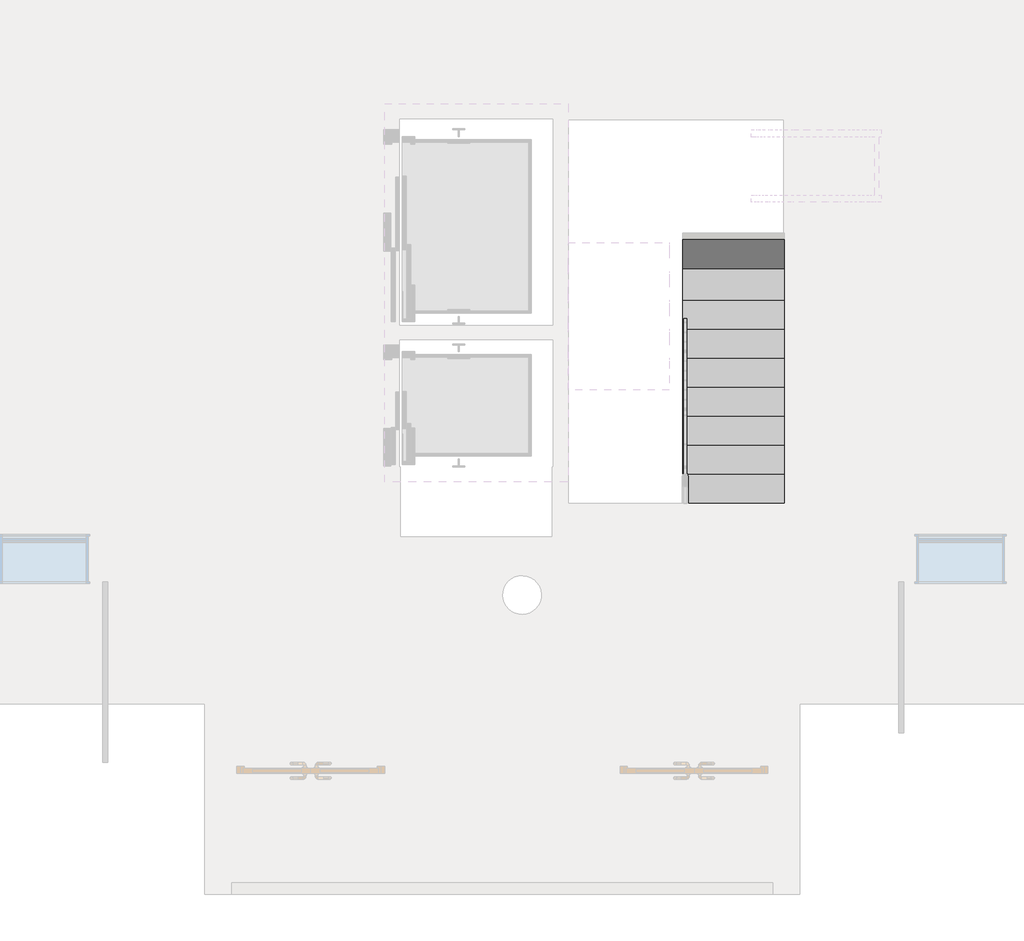
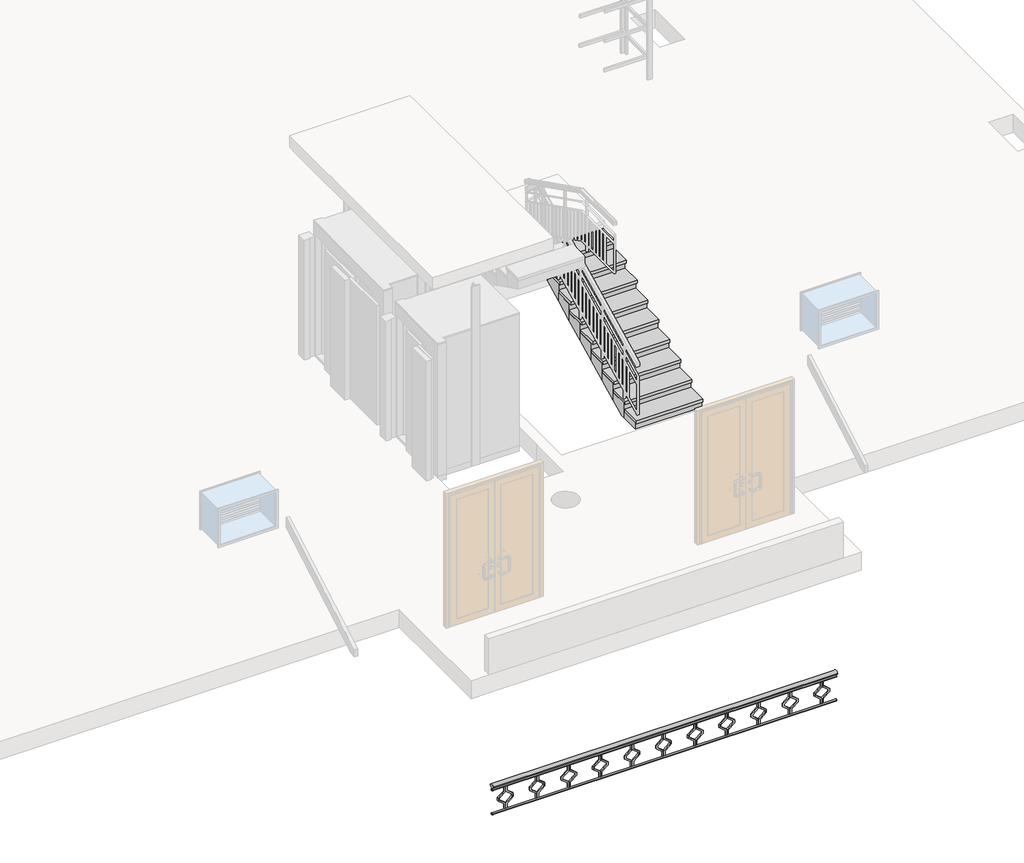
# One storey, part 4 of 6: 1 railing, 1 stair flight.
"""IFC4 building model written with IfcOpenShell, lengths in millimetres."""

from ifc_helpers import new_model, si_unit, point, frame, frame_2d, origin, place, context, project, spatial, polyline, circle_curve, ellipse_curve, trimmed, segment, composite_curve, outline, extrude, faceted_brep, element, save
from ifc_brep_helpers import plane_surface, extruded_surface, advanced_brep

model = new_model("IFC4")

# Units and contexts
model_context = context("Model", 3, world=origin())
ifc_project = project(units=[si_unit("LENGTHUNIT", "METRE", prefix="MILLI")], contexts=[model_context])

# Site, building, storey
site = spatial("IfcSite", under=ifc_project)
building = spatial("IfcBuilding", under=site)
storey = spatial("IfcBuildingStorey", under=building, Elevation=36000.0)

# Railing
placement = place(None, origin())
element("IfcRailing", 1, at=placement, inside=storey, context=model_context, shape_type="SolidModel", body=[
    advanced_brep(
    [(7480.0, -13666.3114792, 34080.0), (7480.0, -13746.3114792, 34080.0), (12920.0, -13666.3114792, 34080.0), (12920.0, -13746.3114792, 34080.0)],
    [
        (0, 1, ellipse_curve(frame((7480.0, -13706.3114792, 34080.0), z_axis=(-1.0, 0.0, 0.0), x_axis=(0.0, -1.0, 0.0)), 40.0, 30.0)),
        (1, 0, ellipse_curve(frame((7480.0, -13706.3114792, 34080.0), z_axis=(-1.0, 0.0, 0.0), x_axis=(0.0, -1.0, 0.0)), 40.0, 30.0)),
        (2, 3, ellipse_curve(frame((12920.0, -13706.3114792, 34080.0), z_axis=(1.0, 0.0, 0.0), x_axis=(0.0, -1.0, 0.0)), 40.0, 30.0)),
        (3, 2, ellipse_curve(frame((12920.0, -13706.3114792, 34080.0), z_axis=(1.0, 0.0, 0.0), x_axis=(0.0, -1.0, 0.0)), 40.0, 30.0)),
        (0, 2),
        (3, 1),
    ],
    [
        plane_surface(frame((7480.0, -13706.3114792, 34080.0), z_axis=(-1.0, 0.0, 0.0), x_axis=(0.0, 1.0, 0.0))),
        plane_surface(frame((12920.0, -13706.3114792, 34080.0), z_axis=(1.0, 0.0, 0.0), x_axis=(0.0, 1.0, 0.0))),
        extruded_surface(trimmed(ellipse_curve(frame((12920.0, -13706.3114792, 34080.0), z_axis=(-1.0, 0.0, 0.0), x_axis=(0.0, -1.0, 0.0)), 40.0, 30.0), [point((12920.0, -13666.3114792, 34080.0))], [point((12920.0, -13746.3114792, 34080.0))], True, "CARTESIAN"), (-5440.0, 0.0, 0.0), 5440.0),
        extruded_surface(trimmed(ellipse_curve(frame((12920.0, -13706.3114792, 34080.0), z_axis=(-1.0, 0.0, 0.0), x_axis=(0.0, -1.0, 0.0)), 40.0, 30.0), [point((12920.0, -13746.3114792, 34080.0))], [point((12920.0, -13666.3114792, 34080.0))], True, "CARTESIAN"), (-5440.0, 0.0, 0.0), 5440.0),
    ],
    [
        (0, [[1, 2]]),
        (1, [[3, 4]]),
        (2, [[-1, 5, -4, 6]]),
        (3, [[-2, -6, -3, -5]]),
    ],
),
    extrude(outline(composite_curve([segment(trimmed(circle_curve(frame_2d((-13705.7022443, 34015.0)), 15.0), [point((-13690.7022443, 34015.0))], [point((-13720.7022443, 34015.0))], False, "CARTESIAN"), True, "CONTINUOUS"), segment(trimmed(circle_curve(frame_2d((-13705.7022443, 34015.0)), 15.0), [point((-13720.7022443, 34015.0))], [point((-13690.7022443, 34015.0))], False, "CARTESIAN"), True, "CONTINUOUS")], self_intersect=False)), frame((7480.0, 0.0, 0.0), z_axis=(1.0, 0.0, 0.0), x_axis=(0.0, 1.0, 0.0)), (0.0, 0.0, 1.0), 5440.0),
    extrude(outline(composite_curve([segment(trimmed(circle_curve(frame_2d((-13705.7022443, 33615.0)), 15.0), [point((-13690.7022443, 33615.0))], [point((-13720.7022443, 33615.0))], False, "CARTESIAN"), True, "CONTINUOUS"), segment(trimmed(circle_curve(frame_2d((-13705.7022443, 33615.0)), 15.0), [point((-13720.7022443, 33615.0))], [point((-13690.7022443, 33615.0))], False, "CARTESIAN"), True, "CONTINUOUS")], self_intersect=False)), frame((7480.0, 0.0, 0.0), z_axis=(1.0, 0.0, 0.0), x_axis=(0.0, 1.0, 0.0)), (0.0, 0.0, 1.0), 5440.0),
    extrude(outline(polyline([(34000.0, 12700.0), (33910.448155, 12700.0), (33830.448155, 12798.9949494), (33799.551845, 12798.9949494), (33719.551845, 12700.0), (33630.0, 12700.0), (33630.0, 12720.0), (33710.0, 12720.0), (33790.0, 12818.9949494), (33840.0, 12818.9949494), (33920.0, 12720.0), (34000.0, 12720.0), (34000.0, 12700.0)])), frame((0.0, -13705.7022443, 0.0), z_axis=(0.0, 1.0, 0.0), x_axis=(0.0, 0.0, 1.0)), (0.0, 0.0, 1.0), 20.0),
    extrude(outline(polyline([(34000.0, 12700.0), (34000.0, 12680.0), (33920.0, 12680.0), (33840.0, 12581.0050506), (33790.0, 12581.0050506), (33710.0, 12680.0), (33630.0, 12680.0), (33630.0, 12700.0), (33719.551845, 12700.0), (33799.551845, 12601.0050506), (33830.448155, 12601.0050506), (33910.448155, 12700.0), (34000.0, 12700.0)])), frame((0.0, -13705.7022443, 0.0), z_axis=(0.0, 1.0, 0.0), x_axis=(0.0, 0.0, 1.0)), (0.0, 0.0, 1.0), 20.0),
    extrude(outline(polyline([(34000.0, 12200.0), (33910.448155, 12200.0), (33830.448155, 12298.9949494), (33799.551845, 12298.9949494), (33719.551845, 12200.0), (33630.0, 12200.0), (33630.0, 12220.0), (33710.0, 12220.0), (33790.0, 12318.9949494), (33840.0, 12318.9949494), (33920.0, 12220.0), (34000.0, 12220.0), (34000.0, 12200.0)])), frame((0.0, -13705.7022443, 0.0), z_axis=(0.0, 1.0, 0.0), x_axis=(0.0, 0.0, 1.0)), (0.0, 0.0, 1.0), 20.0),
    extrude(outline(polyline([(34000.0, 12200.0), (34000.0, 12180.0), (33920.0, 12180.0), (33840.0, 12081.0050506), (33790.0, 12081.0050506), (33710.0, 12180.0), (33630.0, 12180.0), (33630.0, 12200.0), (33719.551845, 12200.0), (33799.551845, 12101.0050506), (33830.448155, 12101.0050506), (33910.448155, 12200.0), (34000.0, 12200.0)])), frame((0.0, -13705.7022443, 0.0), z_axis=(0.0, 1.0, 0.0), x_axis=(0.0, 0.0, 1.0)), (0.0, 0.0, 1.0), 20.0),
    extrude(outline(polyline([(34000.0, 11700.0), (33910.448155, 11700.0), (33830.448155, 11798.9949494), (33799.551845, 11798.9949494), (33719.551845, 11700.0), (33630.0, 11700.0), (33630.0, 11720.0), (33710.0, 11720.0), (33790.0, 11818.9949494), (33840.0, 11818.9949494), (33920.0, 11720.0), (34000.0, 11720.0), (34000.0, 11700.0)])), frame((0.0, -13705.7022443, 0.0), z_axis=(0.0, 1.0, 0.0), x_axis=(0.0, 0.0, 1.0)), (0.0, 0.0, 1.0), 20.0),
    extrude(outline(polyline([(34000.0, 11700.0), (34000.0, 11680.0), (33920.0, 11680.0), (33840.0, 11581.0050506), (33790.0, 11581.0050506), (33710.0, 11680.0), (33630.0, 11680.0), (33630.0, 11700.0), (33719.551845, 11700.0), (33799.551845, 11601.0050506), (33830.448155, 11601.0050506), (33910.448155, 11700.0), (34000.0, 11700.0)])), frame((0.0, -13705.7022443, 0.0), z_axis=(0.0, 1.0, 0.0), x_axis=(0.0, 0.0, 1.0)), (0.0, 0.0, 1.0), 20.0),
    extrude(outline(polyline([(34000.0, 11200.0), (33910.448155, 11200.0), (33830.448155, 11298.9949494), (33799.551845, 11298.9949494), (33719.551845, 11200.0), (33630.0, 11200.0), (33630.0, 11220.0), (33710.0, 11220.0), (33790.0, 11318.9949494), (33840.0, 11318.9949494), (33920.0, 11220.0), (34000.0, 11220.0), (34000.0, 11200.0)])), frame((0.0, -13705.7022443, 0.0), z_axis=(0.0, 1.0, 0.0), x_axis=(0.0, 0.0, 1.0)), (0.0, 0.0, 1.0), 20.0),
    extrude(outline(polyline([(34000.0, 11200.0), (34000.0, 11180.0), (33920.0, 11180.0), (33840.0, 11081.0050506), (33790.0, 11081.0050506), (33710.0, 11180.0), (33630.0, 11180.0), (33630.0, 11200.0), (33719.551845, 11200.0), (33799.551845, 11101.0050506), (33830.448155, 11101.0050506), (33910.448155, 11200.0), (34000.0, 11200.0)])), frame((0.0, -13705.7022443, 0.0), z_axis=(0.0, 1.0, 0.0), x_axis=(0.0, 0.0, 1.0)), (0.0, 0.0, 1.0), 20.0),
    extrude(outline(polyline([(34000.0, 10700.0), (33910.448155, 10700.0), (33830.448155, 10798.9949494), (33799.551845, 10798.9949494), (33719.551845, 10700.0), (33630.0, 10700.0), (33630.0, 10720.0), (33710.0, 10720.0), (33790.0, 10818.9949494), (33840.0, 10818.9949494), (33920.0, 10720.0), (34000.0, 10720.0), (34000.0, 10700.0)])), frame((0.0, -13705.7022443, 0.0), z_axis=(0.0, 1.0, 0.0), x_axis=(0.0, 0.0, 1.0)), (0.0, 0.0, 1.0), 20.0),
    extrude(outline(polyline([(34000.0, 10700.0), (34000.0, 10680.0), (33920.0, 10680.0), (33840.0, 10581.0050506), (33790.0, 10581.0050506), (33710.0, 10680.0), (33630.0, 10680.0), (33630.0, 10700.0), (33719.551845, 10700.0), (33799.551845, 10601.0050506), (33830.448155, 10601.0050506), (33910.448155, 10700.0), (34000.0, 10700.0)])), frame((0.0, -13705.7022443, 0.0), z_axis=(0.0, 1.0, 0.0), x_axis=(0.0, 0.0, 1.0)), (0.0, 0.0, 1.0), 20.0),
    extrude(outline(polyline([(34000.0, 10200.0), (33910.448155, 10200.0), (33830.448155, 10298.9949494), (33799.551845, 10298.9949494), (33719.551845, 10200.0), (33630.0, 10200.0), (33630.0, 10220.0), (33710.0, 10220.0), (33790.0, 10318.9949494), (33840.0, 10318.9949494), (33920.0, 10220.0), (34000.0, 10220.0), (34000.0, 10200.0)])), frame((0.0, -13705.7022443, 0.0), z_axis=(0.0, 1.0, 0.0), x_axis=(0.0, 0.0, 1.0)), (0.0, 0.0, 1.0), 20.0),
    extrude(outline(polyline([(34000.0, 10200.0), (34000.0, 10180.0), (33920.0, 10180.0), (33840.0, 10081.0050506), (33790.0, 10081.0050506), (33710.0, 10180.0), (33630.0, 10180.0), (33630.0, 10200.0), (33719.551845, 10200.0), (33799.551845, 10101.0050506), (33830.448155, 10101.0050506), (33910.448155, 10200.0), (34000.0, 10200.0)])), frame((0.0, -13705.7022443, 0.0), z_axis=(0.0, 1.0, 0.0), x_axis=(0.0, 0.0, 1.0)), (0.0, 0.0, 1.0), 20.0),
    extrude(outline(polyline([(34000.0, 9700.0), (33910.448155, 9700.0), (33830.448155, 9798.9949494), (33799.551845, 9798.9949494), (33719.551845, 9700.0), (33630.0, 9700.0), (33630.0, 9720.0), (33710.0, 9720.0), (33790.0, 9818.9949494), (33840.0, 9818.9949494), (33920.0, 9720.0), (34000.0, 9720.0), (34000.0, 9700.0)])), frame((0.0, -13705.7022443, 0.0), z_axis=(0.0, 1.0, 0.0), x_axis=(0.0, 0.0, 1.0)), (0.0, 0.0, 1.0), 20.0),
    extrude(outline(polyline([(34000.0, 9700.0), (34000.0, 9680.0), (33920.0, 9680.0), (33840.0, 9581.0050506), (33790.0, 9581.0050506), (33710.0, 9680.0), (33630.0, 9680.0), (33630.0, 9700.0), (33719.551845, 9700.0), (33799.551845, 9601.0050506), (33830.448155, 9601.0050506), (33910.448155, 9700.0), (34000.0, 9700.0)])), frame((0.0, -13705.7022443, 0.0), z_axis=(0.0, 1.0, 0.0), x_axis=(0.0, 0.0, 1.0)), (0.0, 0.0, 1.0), 20.0),
    extrude(outline(polyline([(34000.0, 9200.0), (33910.448155, 9200.0), (33830.448155, 9298.9949494), (33799.551845, 9298.9949494), (33719.551845, 9200.0), (33630.0, 9200.0), (33630.0, 9220.0), (33710.0, 9220.0), (33790.0, 9318.9949494), (33840.0, 9318.9949494), (33920.0, 9220.0), (34000.0, 9220.0), (34000.0, 9200.0)])), frame((0.0, -13705.7022443, 0.0), z_axis=(0.0, 1.0, 0.0), x_axis=(0.0, 0.0, 1.0)), (0.0, 0.0, 1.0), 20.0),
    extrude(outline(polyline([(34000.0, 9200.0), (34000.0, 9180.0), (33920.0, 9180.0), (33840.0, 9081.0050506), (33790.0, 9081.0050506), (33710.0, 9180.0), (33630.0, 9180.0), (33630.0, 9200.0), (33719.551845, 9200.0), (33799.551845, 9101.0050506), (33830.448155, 9101.0050506), (33910.448155, 9200.0), (34000.0, 9200.0)])), frame((0.0, -13705.7022443, 0.0), z_axis=(0.0, 1.0, 0.0), x_axis=(0.0, 0.0, 1.0)), (0.0, 0.0, 1.0), 20.0),
    extrude(outline(polyline([(34000.0, 8700.0), (33910.448155, 8700.0), (33830.448155, 8798.9949494), (33799.551845, 8798.9949494), (33719.551845, 8700.0), (33630.0, 8700.0), (33630.0, 8720.0), (33710.0, 8720.0), (33790.0, 8818.9949494), (33840.0, 8818.9949494), (33920.0, 8720.0), (34000.0, 8720.0), (34000.0, 8700.0)])), frame((0.0, -13705.7022443, 0.0), z_axis=(0.0, 1.0, 0.0), x_axis=(0.0, 0.0, 1.0)), (0.0, 0.0, 1.0), 20.0),
    extrude(outline(polyline([(34000.0, 8700.0), (34000.0, 8680.0), (33920.0, 8680.0), (33840.0, 8581.0050506), (33790.0, 8581.0050506), (33710.0, 8680.0), (33630.0, 8680.0), (33630.0, 8700.0), (33719.551845, 8700.0), (33799.551845, 8601.0050506), (33830.448155, 8601.0050506), (33910.448155, 8700.0), (34000.0, 8700.0)])), frame((0.0, -13705.7022443, 0.0), z_axis=(0.0, 1.0, 0.0), x_axis=(0.0, 0.0, 1.0)), (0.0, 0.0, 1.0), 20.0),
    extrude(outline(polyline([(34000.0, 8200.0), (33910.448155, 8200.0), (33830.448155, 8298.9949494), (33799.551845, 8298.9949494), (33719.551845, 8200.0), (33630.0, 8200.0), (33630.0, 8220.0), (33710.0, 8220.0), (33790.0, 8318.9949494), (33840.0, 8318.9949494), (33920.0, 8220.0), (34000.0, 8220.0), (34000.0, 8200.0)])), frame((0.0, -13705.7022443, 0.0), z_axis=(0.0, 1.0, 0.0), x_axis=(0.0, 0.0, 1.0)), (0.0, 0.0, 1.0), 20.0),
    extrude(outline(polyline([(34000.0, 8200.0), (34000.0, 8180.0), (33920.0, 8180.0), (33840.0, 8081.0050506), (33790.0, 8081.0050506), (33710.0, 8180.0), (33630.0, 8180.0), (33630.0, 8200.0), (33719.551845, 8200.0), (33799.551845, 8101.0050506), (33830.448155, 8101.0050506), (33910.448155, 8200.0), (34000.0, 8200.0)])), frame((0.0, -13705.7022443, 0.0), z_axis=(0.0, 1.0, 0.0), x_axis=(0.0, 0.0, 1.0)), (0.0, 0.0, 1.0), 20.0),
    extrude(outline(polyline([(34000.0, 7700.0), (33910.448155, 7700.0), (33830.448155, 7798.9949494), (33799.551845, 7798.9949494), (33719.551845, 7700.0), (33630.0, 7700.0), (33630.0, 7720.0), (33710.0, 7720.0), (33790.0, 7818.9949494), (33840.0, 7818.9949494), (33920.0, 7720.0), (34000.0, 7720.0), (34000.0, 7700.0)])), frame((0.0, -13705.7022443, 0.0), z_axis=(0.0, 1.0, 0.0), x_axis=(0.0, 0.0, 1.0)), (0.0, 0.0, 1.0), 20.0),
    extrude(outline(polyline([(34000.0, 7700.0), (34000.0, 7680.0), (33920.0, 7680.0), (33840.0, 7581.0050506), (33790.0, 7581.0050506), (33710.0, 7680.0), (33630.0, 7680.0), (33630.0, 7700.0), (33719.551845, 7700.0), (33799.551845, 7601.0050506), (33830.448155, 7601.0050506), (33910.448155, 7700.0), (34000.0, 7700.0)])), frame((0.0, -13705.7022443, 0.0), z_axis=(0.0, 1.0, 0.0), x_axis=(0.0, 0.0, 1.0)), (0.0, 0.0, 1.0), 20.0),
])

# Stair flight
element("IfcStairFlight", 2, at=placement, inside=storey, context=model_context, shape_type="SolidModel", body=[
    faceted_brep([(12070.0, -9381.860294, 36100.0), (12070.0, -9681.860294, 36100.0), (13120.0, -9681.860294, 36100.0), (13120.0, -9381.860294, 36100.0), (12070.0, -9381.860294, 36000.0), (12070.0, -9681.860294, 36000.0), (13120.0, -9681.860294, 36000.0), (13120.0, -9381.860294, 36000.0), (12070.0, -9081.860294, 36250.0), (12070.0, -9381.860294, 36250.0), (13120.0, -9381.860294, 36250.0), (13120.0, -9081.860294, 36250.0), (12070.0, -9081.860294, 36115.8359214), (12070.0, -9313.5321367, 36000.0), (13120.0, -9313.5321367, 36000.0), (13120.0, -9081.860294, 36115.8359214), (12070.0, -8781.860294, 36400.0), (12070.0, -9081.860294, 36400.0), (13120.0, -9081.860294, 36400.0), (13120.0, -8781.860294, 36400.0), (12070.0, -8781.860294, 36265.8359214), (13120.0, -8781.860294, 36265.8359214), (12070.0, -8481.860294, 36550.0), (12070.0, -8781.860294, 36550.0), (13120.0, -8781.860294, 36550.0), (13120.0, -8481.860294, 36550.0), (12070.0, -8481.860294, 36415.8359214), (13120.0, -8481.860294, 36415.8359214), (12070.0, -8181.860294, 36700.0), (12070.0, -8481.860294, 36700.0), (13120.0, -8481.860294, 36700.0), (13120.0, -8181.860294, 36700.0), (12070.0, -8181.860294, 36565.8359214), (13120.0, -8181.860294, 36565.8359214), (12070.0, -7881.860294, 36850.0), (12070.0, -8181.860294, 36850.0), (13120.0, -8181.860294, 36850.0), (13120.0, -7881.860294, 36850.0), (12070.0, -7881.860294, 36715.8359214), (13120.0, -7881.860294, 36715.8359214), (12070.0, -7581.860294, 37000.0), (12070.0, -7881.860294, 37000.0), (13120.0, -7881.860294, 37000.0), (13120.0, -7581.860294, 37000.0), (12070.0, -7581.860294, 36865.8359214), (13120.0, -7581.860294, 36865.8359214), (12070.0, -7281.860294, 37150.0), (12070.0, -7581.860294, 37150.0), (13120.0, -7581.860294, 37150.0), (13120.0, -7281.860294, 37150.0), (12070.0, -7281.860294, 37015.8359214), (13120.0, -7281.860294, 37015.8359214), (12070.0, -6981.860294, 37165.8359214), (13120.0, -6981.860294, 37165.8359214), (13120.0, -7011.860294, 37150.8359214), (12070.0, -7281.860294, 37300.0), (13120.0, -7281.860294, 37300.0), (13120.0, -7011.860294, 37300.0), (13120.0, -6981.860294, 37300.0), (12070.0, -6981.860294, 37300.0), (12070.0, -7011.860294, 37300.0)], [[[0, 1, 2, 3]], [[1, 0, 4, 5]], [[2, 1, 5, 6]], [[3, 2, 6, 7]], [[8, 9, 10, 11]], [[4, 0, 9, 8, 12, 13]], [[0, 3, 10, 9]], [[3, 7, 14, 15, 11, 10]], [[16, 17, 18, 19]], [[17, 16, 20, 12, 8]], [[8, 11, 18, 17]], [[19, 18, 11, 15, 21]], [[22, 23, 24, 25]], [[23, 22, 26, 20, 16]], [[16, 19, 24, 23]], [[25, 24, 19, 21, 27]], [[28, 29, 30, 31]], [[29, 28, 32, 26, 22]], [[22, 25, 30, 29]], [[31, 30, 25, 27, 33]], [[34, 35, 36, 37]], [[35, 34, 38, 32, 28]], [[28, 31, 36, 35]], [[37, 36, 31, 33, 39]], [[40, 41, 42, 43]], [[41, 40, 44, 38, 34]], [[34, 37, 42, 41]], [[43, 42, 37, 39, 45]], [[46, 47, 48, 49]], [[47, 46, 50, 44, 40]], [[40, 43, 48, 47]], [[49, 48, 43, 45, 51]], [[5, 4, 13, 14, 7, 6]], [[14, 13, 12, 20, 26, 32, 38, 44, 50, 52, 53, 54, 51, 45, 39, 33, 27, 21, 15]], [[55, 56, 57, 58, 59, 60]], [[46, 55, 60, 59, 52, 50]], [[46, 49, 56, 55]], [[57, 56, 49, 51, 54]], [[58, 57, 54, 53]], [[59, 58, 53, 52]]]),
    extrude(outline(polyline([(12070.0, -9381.860294), (13120.0, -9381.860294), (13120.0, -9711.860294), (12070.0, -9711.860294), (12070.0, -9381.860294)])), frame((0.0, 0.0, 36100.0), z_axis=(0.0, 0.0, 1.0), x_axis=(1.0, 0.0, 0.0)), (0.0, 0.0, 1.0), 50.0),
    extrude(outline(polyline([(12070.0, -9081.860294), (13120.0, -9081.860294), (13120.0, -9411.860294), (12070.0, -9411.860294), (12070.0, -9081.860294)])), frame((0.0, 0.0, 36250.0), z_axis=(0.0, 0.0, 1.0), x_axis=(1.0, 0.0, 0.0)), (0.0, 0.0, 1.0), 50.0),
    extrude(outline(polyline([(12070.0, -8781.860294), (13120.0, -8781.860294), (13120.0, -9111.860294), (12070.0, -9111.860294), (12070.0, -8781.860294)])), frame((0.0, 0.0, 36400.0), z_axis=(0.0, 0.0, 1.0), x_axis=(1.0, 0.0, 0.0)), (0.0, 0.0, 1.0), 50.0),
    extrude(outline(polyline([(12070.0, -8481.860294), (13120.0, -8481.860294), (13120.0, -8811.860294), (12070.0, -8811.860294), (12070.0, -8481.860294)])), frame((0.0, 0.0, 36550.0), z_axis=(0.0, 0.0, 1.0), x_axis=(1.0, 0.0, 0.0)), (0.0, 0.0, 1.0), 50.0),
    extrude(outline(polyline([(12070.0, -8181.860294), (13120.0, -8181.860294), (13120.0, -8511.860294), (12070.0, -8511.860294), (12070.0, -8181.860294)])), frame((0.0, 0.0, 36700.0), z_axis=(0.0, 0.0, 1.0), x_axis=(1.0, 0.0, 0.0)), (0.0, 0.0, 1.0), 50.0),
    extrude(outline(polyline([(12070.0, -7881.860294), (13120.0, -7881.860294), (13120.0, -8211.860294), (12070.0, -8211.860294), (12070.0, -7881.860294)])), frame((0.0, 0.0, 36850.0), z_axis=(0.0, 0.0, 1.0), x_axis=(1.0, 0.0, 0.0)), (0.0, 0.0, 1.0), 50.0),
    extrude(outline(polyline([(12070.0, -7581.860294), (13120.0, -7581.860294), (13120.0, -7911.860294), (12070.0, -7911.860294), (12070.0, -7581.860294)])), frame((0.0, 0.0, 37000.0), z_axis=(0.0, 0.0, 1.0), x_axis=(1.0, 0.0, 0.0)), (0.0, 0.0, 1.0), 50.0),
    extrude(outline(polyline([(12070.0, -7281.860294), (13120.0, -7281.860294), (13120.0, -7611.860294), (12070.0, -7611.860294), (12070.0, -7281.860294)])), frame((0.0, 0.0, 37150.0), z_axis=(0.0, 0.0, 1.0), x_axis=(1.0, 0.0, 0.0)), (0.0, 0.0, 1.0), 50.0),
    extrude(outline(polyline([(12070.0, -6981.860294), (13120.0, -6981.860294), (13120.0, -7011.860294), (13120.0, -7311.860294), (12070.0, -7311.860294), (12070.0, -6981.860294)])), frame((0.0, 0.0, 37300.0), z_axis=(0.0, 0.0, 1.0), x_axis=(1.0, 0.0, 0.0)), (0.0, 0.0, 1.0), 50.0),
])

save(model, "model.ifc")
